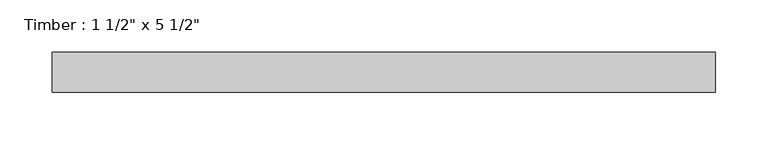
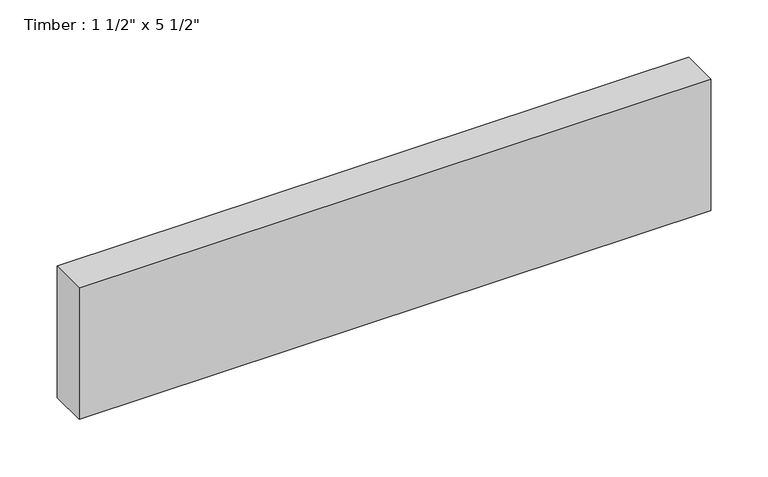
"""IFC4 building model written with IfcOpenShell, lengths in millimetres: beam geometry."""

from ifc_helpers import new_model, si_unit, frame, origin, place, context, project, spatial, polyline, outline, extrude, source, transform, mapped, element, save


def beam_b7a80eb5(model_context):
    return source(origin(), model_context, "Body", "SweptSolid", [
        extrude(outline(polyline([(316.9425386, 19.05), (316.9425386, -19.05), (-316.9425386, -19.05), (-316.9425386, 19.05), (316.9425386, 19.05)])), frame((0.0, 0.0, -69.85), z_axis=(0.0, 0.0, 1.0), x_axis=(1.0, 0.0, 0.0)), (0.0, 0.0, 1.0), 139.7),
    ])


if __name__ == "__main__":
    model = new_model("IFC4")
    model_context = context("Model", 3, world=origin())
    ifc_project = project(units=[si_unit("LENGTHUNIT", "METRE", prefix="MILLI")], contexts=[model_context])
    site = spatial("IfcSite", under=ifc_project)
    building = spatial("IfcBuilding", under=site)
    placement = place(None, origin())
    beam_shape = beam_b7a80eb5(model_context)
    element("IfcBeam", 1, ObjectType="Timber : 1 1/2\" x 5 1/2\"", at=placement, inside=building, context=model_context, shape_type="MappedRepresentation", body=[
        mapped(beam_shape, transform((0.0, 0.0, 0.0), x_axis=(1.0, 0.0, 0.0), y_axis=(0.0, 1.0, 0.0), z_axis=(0.0, 0.0, 1.0))),
    ])
    save(model, "model.ifc")
